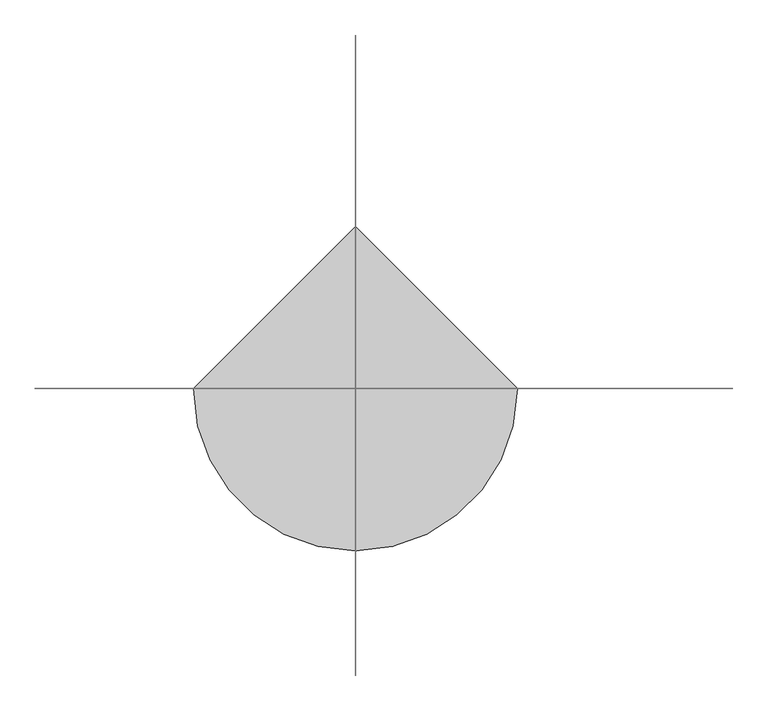
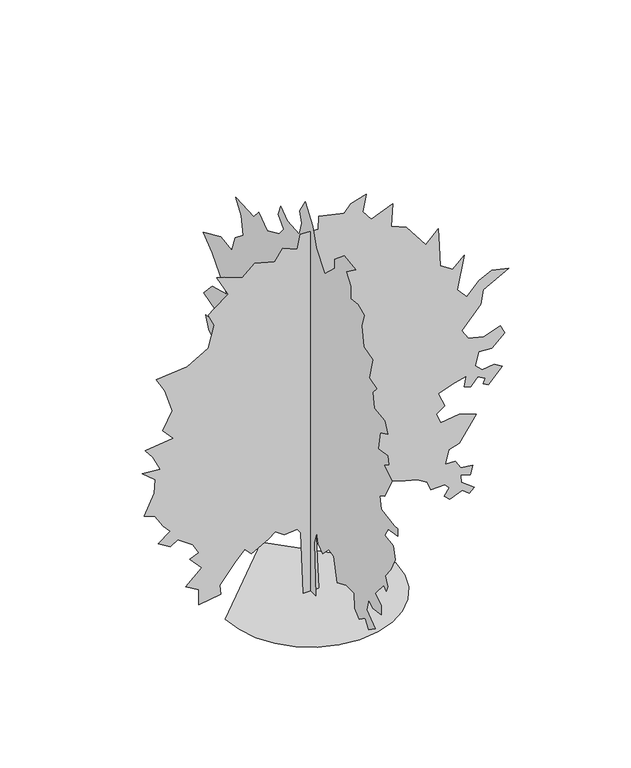
"""IFC4 building model written with IfcOpenShell, lengths in millimetres: geographic element geometry."""

from ifc_helpers import new_model, si_unit, origin, place, context, project, spatial, triangles, source, transform, mapped, element, save


def geographic_element_47fa20aa(model_context):
    return source(origin(), model_context, "Body", "Tessellation", [
        triangles([(-4196.8644676, 0.0, 0.0005886), (-4085.9200768, -961.6452267, 0.0005886), (-3769.9195976, -1844.7597816, 0.0005886), (-3274.196949, -2624.0465172, 0.0005886), (-2624.0465172, -3274.196949, 0.0005886), (-1844.7597816, -3769.9195976, 0.0005886), (-961.6424652, -4085.9200768, 0.0005886), (0.0001835, -4196.8644676, 0.0005886), (961.6452267, -4085.9200768, 0.0005886), (1844.7597816, -3769.9195976, 0.0005886), (2624.0465172, -3274.196949, 0.0005886), (3274.196949, -2624.0465172, 0.0005886), (3769.9195976, -1844.7597816, 0.0005886), (4085.9200768, -961.6424652, 0.0005886), (4196.8644676, 0.0003669, 0.0005886), (-0.0005504, 4196.8644676, 0.0005886), (-353.3363906, 0.0, 0.008767), (-492.8059662, -0.0001912, 3207.8082687), (-660.1699511, -0.0002045, 3430.9748795), (-1301.7343517, -0.0002012, 3375.1692741), (-1748.0374878, -0.0002195, 3682.0307762), (-2082.7656029, -0.0002045, 3430.9748795), (-2919.5857452, -0.0001762, 2956.7802773), (-3254.3080467, -0.0001979, 3319.3915741), (-3728.5029396, -0.0001646, 2761.5134171), (-4481.6424339, -0.0001114, 1868.9042381), (-4425.8647339, -8.15e-05, 1366.8122108), (-5513.7268204, -7.15e-05, 1199.448226), (-5513.7268204, -0.000118, 1980.4821659), (-6155.2830093, -0.0001413, 2370.9991722), (-5374.2545197, -0.0001846, 3096.252578), (-5960.0327179, -0.0002228, 3737.8084763), (-5513.7268204, -0.0002328, 3905.1697723), (-5820.5604172, -0.0002644, 4435.1423653), (-6545.8109161, -0.0002959, 4965.1428635), (-6908.4225037, -0.000281, 4714.0872574), (-7522.0896973, -0.0003026, 5076.7261688), (-6908.4225037, -0.0003292, 5523.0320663), (-7271.0614151, -0.0003525, 5913.5326492), (-7689.4783173, -0.0003924, 6583.0051575), (-8191.5622055, -0.0004024, 6750.3664536), (-7717.3673126, -0.0004639, 7782.4505493), (-7661.561998, -0.0005054, 8479.784729), (-8303.1455109, -0.000537, 9009.7849365), (-7410.5337158, -0.000532, 8926.0906265), (-7773.1453033, -0.0005769, 9679.2301208), (-8163.6732101, -0.0006052, 10153.4244324), (-6768.9496216, -0.0006152, 10320.7863098), (-7298.9504105, -0.0006501, 10906.5645081), (-6824.7555176, -0.0007016, 11771.2873077), (-7187.3671051, -0.0007715, 12942.8437042), (-7605.7840073, -0.0008147, 13668.0668793), (-6071.6160233, -0.000823, 13807.5385986), (-5039.5319275, -0.0008596, 14421.2057922), (-4760.5870354, -0.0009244, 15509.0963654), (-5039.5319275, -0.000961, 16122.763559), (-4760.5870354, -0.000976, 16373.7912598), (-4063.2531464, -0.0010059, 16875.9024719), (-4621.1147346, -0.0010691, 17935.8761444), (-4258.5034378, -0.0010624, 17824.2922577), (-3365.8916428, -0.0010425, 17489.5696655), (-2752.2215424, -0.0010757, 18047.4309631), (-1775.9320061, -0.0010591, 17768.4863617), (-1385.4149998, -0.001094, 18354.2645599), (-660.1699511, -0.0010757, 18047.4309631), (-520.7004118, -0.0011189, 18772.6820435), (371.9086218, -0.0011156, 18716.9040527), (399.8031037, -0.0011555, 19386.3492371), (1655.0347343, -0.0011389, 19107.4046356), (1989.7599426, -0.0011605, 19470.0429657), (2742.9023438, -0.0011755, 19721.0706665), (2575.5355247, -0.0011239, 18856.3757721), (2993.946904, -0.0010923, 18326.3755646), (4053.9199951, -0.0011173, 18744.7930481), (3970.2253944, -0.0010491, 17601.125647), (4723.3648888, -0.0010308, 17294.2920502), (5671.7822891, -0.0009577, 16066.957663), (6285.4494827, -0.0009942, 16680.6248566), (6341.2274734, -0.0009394, 15760.1240662), (6397.0048828, -0.0008762, 14700.1503937), (7010.6999817, -0.0008529, 14309.6509735), (7568.5618607, -0.0008845, 14839.6232758), (7233.8392685, -0.0007848, 13165.9824097), (7708.0341614, -0.0007532, 12636.0101074), (8321.701355, -0.0007914, 13277.5662964), (8935.3685486, -0.0008097, 13584.3998932), (9772.2023529, -0.0007981, 13389.1501831), (8516.9510651, -0.0007582, 12719.6770935), (8377.5066696, -0.0007149, 11994.4260132), (7456.9779739, -0.0006517, 10934.4535034), (7763.839476, -0.0006235, 10460.2580292), (8544.8679657, -0.0006118, 10265.0083191), (9353.7854507, -0.0006285, 10543.9529205), (9576.9241562, -0.0006019, 10097.6476044), (8935.3685486, -0.000567, 9511.8688248), (8293.8123596, -0.0005703, 9567.6468155), (8126.4510635, -0.0005304, 8898.2016312), (8461.1736557, -0.0005104, 8563.479039), (9046.9518539, -0.0005154, 8647.1460251), (9437.4797607, -0.0005004, 8396.1177429), (8768.0072525, -0.0004572, 7670.867244), (8516.9510651, -0.0004655, 7810.3395447), (8600.6459564, -0.0004805, 8061.3678268), (8238.0343689, -0.0004938, 8284.5344376), (7903.2838715, -0.0004689, 7866.1175354), (7568.5618607, -0.0004755, 7977.7008408), (7680.145166, -0.0005071, 8507.6737244), (7094.3669678, -0.0004988, 8368.2014236), (6285.4494827, -0.0004805, 8061.3678268), (6620.1720749, -0.0004373, 7336.1446518), (6201.7551727, -0.000419, 7029.311055), (6424.9217834, -0.0003874, 6499.3108475), (7317.5335785, -0.0003957, 6638.7831482), (8154.3400589, -0.0003791, 6359.8385468), (7317.5335785, -0.0003059, 5132.5041595), (6815.4223663, -0.0002959, 4965.1428635), (6648.0610703, -0.0002544, 4267.7813599), (7122.2559631, -0.0002544, 4267.7813599), (7401.2005646, -0.0002278, 3821.4751717), (7986.9787628, -0.0002228, 3737.8084763), (7875.3954575, -0.0001962, 3291.5025787), (7401.2005646, -0.0002045, 3430.9748795), (7429.0895599, -0.0001829, 3068.3356773), (8070.6730728, -0.000153, 2566.2549866), (7819.6174667, -0.0001397, 2343.1046539), (7484.8948746, -0.0001563, 2622.0437325), (6871.227681, -0.0001413, 2370.9991722), (6592.2830795, -0.0001563, 2622.0437325), (6843.3113617, -0.0001779, 2984.6689819), (6620.1720749, -0.0001912, 3207.8082687), (5922.8105713, -0.0001912, 3207.8082687), (5755.4492752, -0.0002178, 3654.1141663), (5253.365387, -0.0002361, 3960.9477631), (4667.5871887, -0.0002444, 4100.4200638), (3691.3084076, -0.0002627, 4407.2536606), (3412.3638062, -0.0002361, 3960.9477631), (3105.5302094, -0.0002527, 4239.8923645), (2966.0579086, -0.0002693, 4518.8369659), (2408.1713219, -0.0002693, 4518.8369659), (2129.2322433, -0.0002793, 4686.198262), (1152.9398003, -0.0002644, 4435.1423653), (399.8031037, -0.0002361, 3960.9477631), (260.3318749, -0.0001929, 3235.7248787), (399.8031037, 0.0, 0.0005266), (0.0, 404.1447719, 0.0), (0.0, 348.3586058, 2928.8633766), (0.0, 627.297757, 4100.4200638), (0.0, 1129.3897842, 4741.9759621), (0.0, 2161.4683571, 5104.6151642), (0.0, 2803.030069, 4267.7813599), (0.0, 3026.1969704, 4741.9759621), (0.0, 3890.8921555, 4463.0313606), (0.0, 4504.5590584, 4546.7259613), (0.0, 5313.504158, 3709.8918663), (0.0, 6010.8383377, 2845.1966812), (0.0, 6736.0888367, 2789.3910759), (0.0, 6317.6719345, 3542.5305702), (0.0, 7266.0890442, 3849.364167), (0.0, 6708.1998413, 4100.4200638), (0.0, 5731.8937363, 4546.7259613), (0.0, 6289.7829391, 5383.5597656), (0.0, 6819.7831467, 6025.1159546), (0.0, 6596.6165359, 6778.2554489), (0.0, 7042.9224335, 7698.7562393), (0.0, 7572.922641, 7447.7006332), (0.0, 8298.145816, 7196.6723511), (0.0, 8828.1460236, 7224.5613464), (0.0, 8214.47883, 8061.3678268), (0.0, 8688.6737228, 8368.2014236), (0.0, 8939.7293289, 8981.8686172), (0.0, 8214.47883, 9009.7570313), (0.0, 8102.8955246, 9707.1191162), (0.0, 9107.090625, 10013.952713), (0.0, 8381.840126, 10794.9806213), (0.0, 7154.5057388, 11129.7032135), (0.0, 8381.840126, 12552.3152161), (0.0, 9162.8686157, 13138.0934143), (0.0, 7656.5896271, 13807.5385986), (0.0, 6736.0888367, 13668.0668793), (0.0, 6457.1442352, 14477.0116882), (0.0, 5731.8937363, 15062.7619812), (0.0, 5927.1713516, 15955.3737762), (0.0, 6401.3662445, 16624.8468658), (0.0, 4839.3095558, 16569.0409698), (0.0, 4448.7813583, 17043.2631866), (0.0, 3723.5308594, 16513.2629791), (0.0, 2691.4578094, 16987.4584534), (0.0, 2300.9408031, 17461.6527649), (0.0, 2747.2439392, 17963.7639771), (0.0, 2551.9855087, 18493.737442), (0.0, 1994.1072063, 18075.3199585), (0.0, 989.920245, 17991.6529724), (0.0, 738.8756121, 18716.9040527), (0.0, 934.1312811, 19246.876355), (0.0, 459.9336994, 20000.0164307), (0.0, -181.6284848, 19107.4046356), (0.0, -488.4615003, 18186.9038452), (0.0, -1213.7065126, 17266.4030548), (0.0, -2078.4211006, 18075.3199585), (0.0, -2050.5294891, 18521.6264374), (0.0, -2887.3356789, 19218.9873596), (0.0, -3835.7530792, 19051.6266449), (0.0, -3026.8079796, 18465.8484467), (0.0, -3417.3361771, 17935.8482391), (0.0, -3417.3361771, 17294.2920502), (0.0, -4031.0033707, 17377.9857788), (0.0, -4588.8925735, 17154.8191681), (0.0, -4365.7256721, 16457.4849884), (0.0, -4533.0869682, 15481.1794647), (0.0, -5286.2267532, 15258.0395966), (0.0, -5007.3094757, 14142.2611908), (0.0, -5648.8656647, 13947.0114807), (0.0, -5314.1430725, 13584.3998932), (0.0, -5425.699054, 12803.3719849), (0.0, -6318.310849, 12691.7880981), (0.0, -6569.3664551, 12133.8988953), (0.0, -5927.8102661, 11827.0652985), (0.0, -5788.3379654, 10906.5645081), (0.0, -6569.3664551, 11018.1472321), (0.0, -6680.9497604, 10627.6199066), (0.0, -6234.6438629, 10348.6753052), (0.0, -6959.8664566, 9930.2857269), (0.0, -6318.310849, 8758.7293304), (0.0, -5899.8933655, 8535.5627197), (0.0, -6011.4772522, 7894.0065308), (0.0, -7155.1446533, 7726.6452347), (0.0, -7434.0892548, 7754.53423), (0.0, -7434.0892548, 7364.0336472), (0.0, -6625.1444458, 7224.5613464), (0.0, -6346.1998444, 6750.3664536), (0.0, -7071.4503433, 6638.7831482), (0.0, -7210.922644, 5997.2269592), (0.0, -6848.3110565, 5244.0874649), (0.0, -6374.1161636, 4658.3092667), (0.0, -6597.2554504, 4212.0033691), (0.0, -6457.7831497, 3905.1697723), (0.0, -6262.5328583, 4100.4200638), (0.0, -5509.393364, 3207.8082687), (0.0, -6039.3662476, 2873.0856766), (0.0, -6039.3662476, 2426.7797791), (0.0, -5286.2267532, 2287.3102398), (0.0, -4951.5041611, 2538.3575615), (0.0, -4784.142865, 1924.6876064), (0.0, -5509.393364, 1366.8066879), (0.0, -4951.5041611, 976.2924431), (0.0, -4644.6702736, 1394.7010609), (0.0, -4142.586676, 1032.0786455), (0.0, -3779.9474739, 1394.7010609), (0.0, -3724.1697739, 2119.9461823), (0.0, -3054.7245895, 2147.8405552), (0.0, -2273.6796764, 1813.1125854), (0.0, -1994.7404526, 3012.5579773), (0.0, -1548.4345551, 3068.3356773), (0.0, -1032.3952686, 2566.249173), (0.0, -655.8282829, 2845.1966812), (0.0, -516.3587437, 3347.2805695), (0.0, -321.0974791, 2733.6133759), (0.0, -432.6753342, 0.002943)], [[15, 16, 1], [14, 15, 1], [14, 1, 2], [13, 14, 2], [13, 2, 3], [13, 3, 4], [12, 13, 4], [11, 12, 4], [11, 4, 5], [11, 5, 6], [11, 6, 7], [11, 7, 8], [11, 8, 9], [11, 9, 10], [43, 44, 45], [81, 82, 83], [86, 87, 88], [85, 86, 88], [58, 59, 60], [77, 78, 79], [46, 47, 48], [58, 60, 61], [70, 71, 72], [84, 85, 88], [73, 74, 75], [51, 52, 53], [36, 37, 38], [35, 36, 38], [31, 32, 33], [84, 88, 89], [113, 114, 115], [29, 30, 31], [123, 124, 125], [123, 125, 126], [135, 136, 137], [67, 68, 69], [99, 100, 101], [98, 99, 101], [112, 113, 115], [112, 115, 116], [143, 144, 17], [143, 17, 18], [27, 28, 29], [26, 27, 29], [40, 41, 42], [119, 120, 121], [119, 121, 122], [69, 70, 72], [26, 29, 31], [25, 26, 31], [84, 89, 90], [105, 106, 107], [104, 105, 107], [45, 46, 48], [127, 128, 129], [126, 127, 129], [123, 126, 129], [122, 123, 129], [122, 129, 130], [65, 66, 67], [92, 93, 94], [92, 94, 95], [92, 95, 96], [91, 92, 96], [101, 102, 103], [98, 101, 103], [98, 103, 104], [97, 98, 104], [97, 104, 107], [135, 137, 138], [63, 64, 65], [109, 110, 111], [142, 143, 18], [142, 18, 19], [22, 23, 24], [119, 122, 130], [118, 119, 130], [117, 118, 130], [117, 130, 131], [117, 131, 132], [55, 56, 57], [48, 49, 50], [50, 51, 53], [25, 31, 33], [24, 25, 33], [117, 132, 133], [116, 117, 133], [112, 116, 133], [112, 133, 134], [112, 134, 135], [111, 112, 135], [77, 79, 80], [61, 62, 63], [111, 135, 138], [55, 57, 58], [83, 84, 90], [109, 111, 138], [109, 138, 139], [109, 139, 140], [80, 81, 83], [24, 33, 34], [91, 96, 97], [91, 97, 107], [91, 107, 108], [91, 108, 109], [90, 91, 109], [19, 20, 21], [142, 19, 21], [50, 53, 54], [69, 72, 73], [67, 69, 73], [65, 67, 73], [65, 73, 75], [48, 50, 54], [21, 22, 24], [21, 24, 34], [58, 61, 63], [55, 58, 63], [54, 55, 63], [54, 63, 65], [54, 65, 75], [48, 54, 75], [48, 75, 76], [48, 76, 77], [48, 77, 80], [48, 80, 83], [48, 83, 90], [48, 90, 109], [48, 109, 140], [48, 140, 141], [48, 141, 142], [48, 142, 21], [48, 21, 34], [45, 48, 34], [45, 34, 35], [45, 35, 38], [45, 38, 39], [45, 39, 40], [45, 40, 42], [45, 42, 43], [157, 158, 159], [201, 202, 203], [182, 183, 184], [155, 156, 157], [166, 167, 168], [200, 201, 203], [176, 177, 178], [154, 155, 157], [149, 150, 151], [172, 173, 174], [211, 212, 213], [165, 166, 168], [194, 195, 196], [193, 194, 196], [235, 236, 237], [169, 170, 171], [243, 244, 245], [243, 245, 246], [189, 190, 191], [188, 189, 191], [157, 159, 160], [154, 157, 160], [153, 154, 160], [250, 251, 252], [234, 235, 237], [199, 200, 203], [226, 227, 228], [226, 228, 229], [225, 226, 229], [193, 196, 197], [192, 193, 197], [168, 169, 171], [258, 145, 146], [257, 258, 146], [172, 174, 175], [221, 222, 223], [215, 216, 217], [214, 215, 217], [256, 257, 146], [256, 146, 147], [209, 210, 211], [184, 185, 186], [206, 207, 208], [218, 219, 220], [218, 220, 221], [246, 247, 248], [246, 248, 249], [243, 246, 249], [242, 243, 249], [253, 254, 255], [253, 255, 256], [239, 240, 241], [238, 239, 241], [238, 241, 242], [205, 206, 208], [199, 203, 204], [199, 204, 205], [198, 199, 205], [225, 229, 230], [181, 182, 184], [175, 176, 178], [175, 178, 179], [164, 165, 168], [164, 168, 171], [230, 231, 232], [230, 232, 233], [188, 191, 192], [221, 223, 224], [181, 184, 186], [192, 197, 198], [230, 233, 234], [153, 160, 161], [161, 162, 163], [153, 161, 163], [164, 171, 172], [164, 172, 175], [218, 221, 224], [198, 205, 208], [198, 208, 209], [198, 209, 211], [188, 192, 198], [187, 188, 198], [187, 198, 211], [186, 187, 211], [181, 186, 211], [181, 211, 213], [181, 213, 214], [181, 214, 217], [181, 217, 218], [181, 218, 224], [180, 181, 224], [179, 180, 224], [175, 179, 224], [164, 175, 224], [163, 164, 224], [153, 163, 224], [152, 153, 224], [151, 152, 224], [149, 151, 224], [148, 149, 224], [148, 224, 225], [147, 148, 225], [256, 147, 225], [253, 256, 225], [252, 253, 225], [252, 225, 230], [252, 230, 234], [252, 234, 237], [252, 237, 238], [250, 252, 238], [249, 250, 238], [242, 249, 238]], closed=False),
    ])


if __name__ == "__main__":
    model = new_model("IFC4")
    model_context = context("Model", 3, world=origin())
    ifc_project = project(units=[si_unit("LENGTHUNIT", "METRE", prefix="MILLI")], contexts=[model_context])
    site = spatial("IfcSite", under=ifc_project)
    building = spatial("IfcBuilding", under=site)
    placement = place(None, origin())
    geographic_element_shape = geographic_element_47fa20aa(model_context)
    element("IfcGeographicElement", 1, at=placement, inside=building, context=model_context, shape_type="MappedRepresentation", body=[
        mapped(geographic_element_shape, transform((0.0, 0.0, 0.0), x_axis=(1.0, 0.0, 0.0), y_axis=(0.0, 1.0, 0.0), z_axis=(0.0, 0.0, 1.0))),
    ])
    save(model, "model.ifc")
